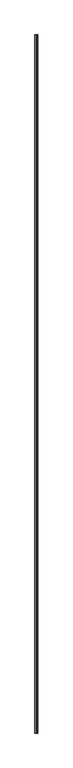
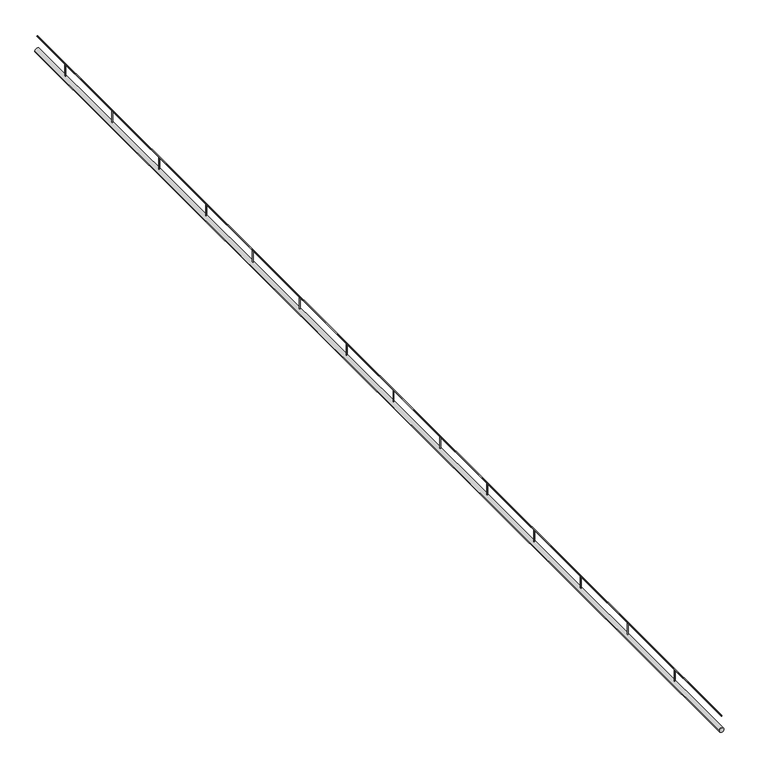
"""IFC4 building model written with IfcOpenShell, lengths in millimetres: railing geometry."""

from ifc_helpers import new_model, si_unit, point, frame, frame_2d, origin, place, context, project, spatial, circle_curve, trimmed, segment, composite_curve, outline, extrude, source, transform, mapped, element, save


def railing_5398524a(model_context):
    return source(origin(), model_context, "Body", "SweptSolid", [
        extrude(outline(composite_curve([segment(trimmed(circle_curve(frame_2d((2505.0, 11404.3297172)), 15.0), [point((2505.0, 11389.3297172))], [point((2505.0, 11419.3297172))], False, "CARTESIAN"), True, "CONTINUOUS"), segment(trimmed(circle_curve(frame_2d((2505.0, 11404.3297172)), 15.0), [point((2505.0, 11419.3297172))], [point((2505.0, 11389.3297172))], False, "CARTESIAN"), True, "CONTINUOUS")], self_intersect=False)), frame((0.0, 31981.9465374, 0.0), z_axis=(0.0, 1.0, 0.0), x_axis=(0.0, 0.0, 1.0)), (0.0, 0.0, 1.0), 7300.0),
        extrude(outline(composite_curve([segment(trimmed(circle_curve(frame_2d((2597.5, 11404.3297172)), 2.5), [point((2597.5, 11401.8297172))], [point((2597.5, 11406.8297172))], False, "CARTESIAN"), True, "CONTINUOUS"), segment(trimmed(circle_curve(frame_2d((2597.5, 11404.3297172)), 2.5), [point((2597.5, 11406.8297172))], [point((2597.5, 11401.8297172))], False, "CARTESIAN"), True, "CONTINUOUS")], self_intersect=False)), frame((0.0, 31981.9465374, 0.0), z_axis=(0.0, 1.0, 0.0), x_axis=(0.0, 0.0, 1.0)), (0.0, 0.0, 1.0), 7300.0),
        extrude(outline(composite_curve([segment(trimmed(circle_curve(frame_2d((11404.3297172, 38981.9465374)), 2.5), [point((11401.8297172, 38981.9465374))], [point((11406.8297172, 38981.9465374))], False, "CARTESIAN"), True, "CONTINUOUS"), segment(trimmed(circle_curve(frame_2d((11404.3297172, 38981.9465374)), 2.5), [point((11406.8297172, 38981.9465374))], [point((11401.8297172, 38981.9465374))], False, "CARTESIAN"), True, "CONTINUOUS")], self_intersect=False)), frame((0.0, 0.0, 2520.0), z_axis=(0.0, 0.0, 1.0), x_axis=(1.0, 0.0, 0.0)), (0.0, 0.0, 1.0), 75.0),
        extrude(outline(composite_curve([segment(trimmed(circle_curve(frame_2d((11404.3297172, 38481.9465374)), 2.5), [point((11401.8297172, 38481.9465374))], [point((11406.8297172, 38481.9465374))], False, "CARTESIAN"), True, "CONTINUOUS"), segment(trimmed(circle_curve(frame_2d((11404.3297172, 38481.9465374)), 2.5), [point((11406.8297172, 38481.9465374))], [point((11401.8297172, 38481.9465374))], False, "CARTESIAN"), True, "CONTINUOUS")], self_intersect=False)), frame((0.0, 0.0, 2520.0), z_axis=(0.0, 0.0, 1.0), x_axis=(1.0, 0.0, 0.0)), (0.0, 0.0, 1.0), 75.0),
        extrude(outline(composite_curve([segment(trimmed(circle_curve(frame_2d((11404.3297172, 37981.9465374)), 2.5), [point((11401.8297172, 37981.9465374))], [point((11406.8297172, 37981.9465374))], False, "CARTESIAN"), True, "CONTINUOUS"), segment(trimmed(circle_curve(frame_2d((11404.3297172, 37981.9465374)), 2.5), [point((11406.8297172, 37981.9465374))], [point((11401.8297172, 37981.9465374))], False, "CARTESIAN"), True, "CONTINUOUS")], self_intersect=False)), frame((0.0, 0.0, 2520.0), z_axis=(0.0, 0.0, 1.0), x_axis=(1.0, 0.0, 0.0)), (0.0, 0.0, 1.0), 75.0),
        extrude(outline(composite_curve([segment(trimmed(circle_curve(frame_2d((11404.3297172, 37481.9465374)), 2.5), [point((11401.8297172, 37481.9465374))], [point((11406.8297172, 37481.9465374))], False, "CARTESIAN"), True, "CONTINUOUS"), segment(trimmed(circle_curve(frame_2d((11404.3297172, 37481.9465374)), 2.5), [point((11406.8297172, 37481.9465374))], [point((11401.8297172, 37481.9465374))], False, "CARTESIAN"), True, "CONTINUOUS")], self_intersect=False)), frame((0.0, 0.0, 2520.0), z_axis=(0.0, 0.0, 1.0), x_axis=(1.0, 0.0, 0.0)), (0.0, 0.0, 1.0), 75.0),
        extrude(outline(composite_curve([segment(trimmed(circle_curve(frame_2d((11404.3297172, 36981.9465374)), 2.5), [point((11401.8297172, 36981.9465374))], [point((11406.8297172, 36981.9465374))], False, "CARTESIAN"), True, "CONTINUOUS"), segment(trimmed(circle_curve(frame_2d((11404.3297172, 36981.9465374)), 2.5), [point((11406.8297172, 36981.9465374))], [point((11401.8297172, 36981.9465374))], False, "CARTESIAN"), True, "CONTINUOUS")], self_intersect=False)), frame((0.0, 0.0, 2520.0), z_axis=(0.0, 0.0, 1.0), x_axis=(1.0, 0.0, 0.0)), (0.0, 0.0, 1.0), 75.0),
        extrude(outline(composite_curve([segment(trimmed(circle_curve(frame_2d((11404.3297172, 36481.9465374)), 2.5), [point((11401.8297172, 36481.9465374))], [point((11406.8297172, 36481.9465374))], False, "CARTESIAN"), True, "CONTINUOUS"), segment(trimmed(circle_curve(frame_2d((11404.3297172, 36481.9465374)), 2.5), [point((11406.8297172, 36481.9465374))], [point((11401.8297172, 36481.9465374))], False, "CARTESIAN"), True, "CONTINUOUS")], self_intersect=False)), frame((0.0, 0.0, 2520.0), z_axis=(0.0, 0.0, 1.0), x_axis=(1.0, 0.0, 0.0)), (0.0, 0.0, 1.0), 75.0),
        extrude(outline(composite_curve([segment(trimmed(circle_curve(frame_2d((11404.3297172, 35981.9465374)), 2.5), [point((11401.8297172, 35981.9465374))], [point((11406.8297172, 35981.9465374))], False, "CARTESIAN"), True, "CONTINUOUS"), segment(trimmed(circle_curve(frame_2d((11404.3297172, 35981.9465374)), 2.5), [point((11406.8297172, 35981.9465374))], [point((11401.8297172, 35981.9465374))], False, "CARTESIAN"), True, "CONTINUOUS")], self_intersect=False)), frame((0.0, 0.0, 2520.0), z_axis=(0.0, 0.0, 1.0), x_axis=(1.0, 0.0, 0.0)), (0.0, 0.0, 1.0), 75.0),
        extrude(outline(composite_curve([segment(trimmed(circle_curve(frame_2d((11404.3297172, 35481.9465374)), 2.5), [point((11401.8297172, 35481.9465374))], [point((11406.8297172, 35481.9465374))], False, "CARTESIAN"), True, "CONTINUOUS"), segment(trimmed(circle_curve(frame_2d((11404.3297172, 35481.9465374)), 2.5), [point((11406.8297172, 35481.9465374))], [point((11401.8297172, 35481.9465374))], False, "CARTESIAN"), True, "CONTINUOUS")], self_intersect=False)), frame((0.0, 0.0, 2520.0), z_axis=(0.0, 0.0, 1.0), x_axis=(1.0, 0.0, 0.0)), (0.0, 0.0, 1.0), 75.0),
        extrude(outline(composite_curve([segment(trimmed(circle_curve(frame_2d((11404.3297172, 34981.9465374)), 2.5), [point((11401.8297172, 34981.9465374))], [point((11406.8297172, 34981.9465374))], False, "CARTESIAN"), True, "CONTINUOUS"), segment(trimmed(circle_curve(frame_2d((11404.3297172, 34981.9465374)), 2.5), [point((11406.8297172, 34981.9465374))], [point((11401.8297172, 34981.9465374))], False, "CARTESIAN"), True, "CONTINUOUS")], self_intersect=False)), frame((0.0, 0.0, 2520.0), z_axis=(0.0, 0.0, 1.0), x_axis=(1.0, 0.0, 0.0)), (0.0, 0.0, 1.0), 75.0),
        extrude(outline(composite_curve([segment(trimmed(circle_curve(frame_2d((11404.3297172, 34481.9465374)), 2.5), [point((11401.8297172, 34481.9465374))], [point((11406.8297172, 34481.9465374))], False, "CARTESIAN"), True, "CONTINUOUS"), segment(trimmed(circle_curve(frame_2d((11404.3297172, 34481.9465374)), 2.5), [point((11406.8297172, 34481.9465374))], [point((11401.8297172, 34481.9465374))], False, "CARTESIAN"), True, "CONTINUOUS")], self_intersect=False)), frame((0.0, 0.0, 2520.0), z_axis=(0.0, 0.0, 1.0), x_axis=(1.0, 0.0, 0.0)), (0.0, 0.0, 1.0), 75.0),
        extrude(outline(composite_curve([segment(trimmed(circle_curve(frame_2d((11404.3297172, 33981.9465374)), 2.5), [point((11401.8297172, 33981.9465374))], [point((11406.8297172, 33981.9465374))], False, "CARTESIAN"), True, "CONTINUOUS"), segment(trimmed(circle_curve(frame_2d((11404.3297172, 33981.9465374)), 2.5), [point((11406.8297172, 33981.9465374))], [point((11401.8297172, 33981.9465374))], False, "CARTESIAN"), True, "CONTINUOUS")], self_intersect=False)), frame((0.0, 0.0, 2520.0), z_axis=(0.0, 0.0, 1.0), x_axis=(1.0, 0.0, 0.0)), (0.0, 0.0, 1.0), 75.0),
        extrude(outline(composite_curve([segment(trimmed(circle_curve(frame_2d((11404.3297172, 33481.9465374)), 2.5), [point((11401.8297172, 33481.9465374))], [point((11406.8297172, 33481.9465374))], False, "CARTESIAN"), True, "CONTINUOUS"), segment(trimmed(circle_curve(frame_2d((11404.3297172, 33481.9465374)), 2.5), [point((11406.8297172, 33481.9465374))], [point((11401.8297172, 33481.9465374))], False, "CARTESIAN"), True, "CONTINUOUS")], self_intersect=False)), frame((0.0, 0.0, 2520.0), z_axis=(0.0, 0.0, 1.0), x_axis=(1.0, 0.0, 0.0)), (0.0, 0.0, 1.0), 75.0),
        extrude(outline(composite_curve([segment(trimmed(circle_curve(frame_2d((11404.3297172, 32981.9465374)), 2.5), [point((11401.8297172, 32981.9465374))], [point((11406.8297172, 32981.9465374))], False, "CARTESIAN"), True, "CONTINUOUS"), segment(trimmed(circle_curve(frame_2d((11404.3297172, 32981.9465374)), 2.5), [point((11406.8297172, 32981.9465374))], [point((11401.8297172, 32981.9465374))], False, "CARTESIAN"), True, "CONTINUOUS")], self_intersect=False)), frame((0.0, 0.0, 2520.0), z_axis=(0.0, 0.0, 1.0), x_axis=(1.0, 0.0, 0.0)), (0.0, 0.0, 1.0), 75.0),
        extrude(outline(composite_curve([segment(trimmed(circle_curve(frame_2d((11404.3297172, 32481.9465374)), 2.5), [point((11401.8297172, 32481.9465374))], [point((11406.8297172, 32481.9465374))], False, "CARTESIAN"), True, "CONTINUOUS"), segment(trimmed(circle_curve(frame_2d((11404.3297172, 32481.9465374)), 2.5), [point((11406.8297172, 32481.9465374))], [point((11401.8297172, 32481.9465374))], False, "CARTESIAN"), True, "CONTINUOUS")], self_intersect=False)), frame((0.0, 0.0, 2520.0), z_axis=(0.0, 0.0, 1.0), x_axis=(1.0, 0.0, 0.0)), (0.0, 0.0, 1.0), 75.0),
    ])


if __name__ == "__main__":
    model = new_model("IFC4")
    model_context = context("Model", 3, world=origin())
    ifc_project = project(units=[si_unit("LENGTHUNIT", "METRE", prefix="MILLI")], contexts=[model_context])
    site = spatial("IfcSite", under=ifc_project)
    building = spatial("IfcBuilding", under=site)
    placement = place(None, origin())
    railing_shape = railing_5398524a(model_context)
    element("IfcRailing", 1, at=placement, inside=building, context=model_context, shape_type="MappedRepresentation", body=[
        mapped(railing_shape, transform((0.0, 0.0, 0.0), x_axis=(1.0, 0.0, 0.0), y_axis=(0.0, 1.0, 0.0), z_axis=(0.0, 0.0, 1.0))),
    ])
    save(model, "model.ifc")
